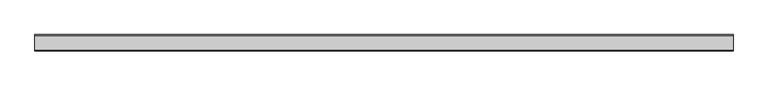
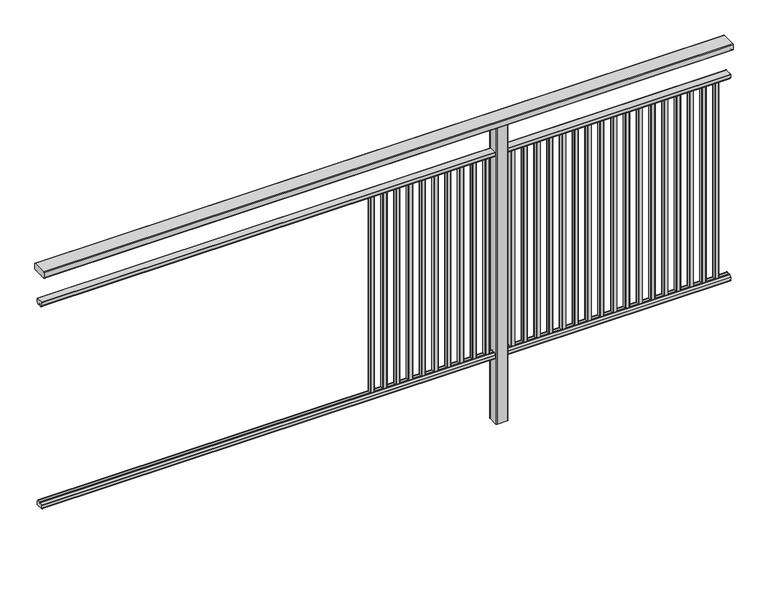
"""IFC4 building model written with IfcOpenShell, lengths in millimetres: railing geometry."""

from ifc_helpers import new_model, si_unit, point, frame, frame_2d, origin, place, context, project, spatial, polyline, circle_curve, trimmed, segment, composite_curve, outline, extrude, source, transform, mapped, element, save


def railing_8aff0f0a(model_context):
    return source(origin(), model_context, "Body", "SweptSolid", [
        extrude(outline(composite_curve([segment(trimmed(circle_curve(frame_2d((7852.8460333, 1197.0)), 3.0), [point((7852.8460333, 1200.0))], [point((7855.8460333, 1197.0))], False, "CARTESIAN"), True, "CONTINUOUS"), segment(polyline([(7855.8460333, 1197.0), (7855.8460333, 1174.8)]), True, "CONTINUOUS"), segment(trimmed(circle_curve(frame_2d((7852.8460333, 1174.8)), 3.0), [point((7855.8460333, 1174.8))], [point((7852.8460333, 1171.8))], False, "CARTESIAN"), True, "CONTINUOUS"), segment(polyline([(7852.8460333, 1171.8), (7847.9961193, 1171.8)]), True, "CONTINUOUS"), segment(trimmed(circle_curve(frame_2d((7847.9961193, 1172.7286632)), 0.9286632), [point((7847.9961193, 1171.8))], [point((7847.0960471, 1172.5000033))], False, "CARTESIAN"), True, "CONTINUOUS"), segment(trimmed(circle_curve(frame_2d((7846.5960471, 1172.5000003)), 0.5), [point((7847.0960471, 1172.5000033))], [point((7846.5960471, 1172.0000003))], False, "CARTESIAN"), True, "CONTINUOUS"), segment(polyline([(7846.5960471, 1172.0000003), (7829.5751393, 1172.0000003)]), True, "CONTINUOUS"), segment(trimmed(circle_curve(frame_2d((7820.8508208, 1188.8785723)), 18.999998), [point((7829.5751393, 1172.0000003))], [point((7812.1265024, 1172.0000003))], False, "CARTESIAN"), True, "CONTINUOUS"), segment(polyline([(7812.1265024, 1172.0000003), (7795.0960436, 1172.0000003)]), True, "CONTINUOUS"), segment(trimmed(circle_curve(frame_2d((7795.0960436, 1172.5000003)), 0.5), [point((7795.0960436, 1172.0000003))], [point((7794.5960436, 1172.5000033))], False, "CARTESIAN"), True, "CONTINUOUS"), segment(trimmed(circle_curve(frame_2d((7793.6961402, 1172.7284461)), 0.9284461), [point((7794.5960436, 1172.5000033))], [point((7793.6961402, 1171.8))], False, "CARTESIAN"), True, "CONTINUOUS"), segment(polyline([(7793.6961402, 1171.8), (7788.8460333, 1171.8)]), True, "CONTINUOUS"), segment(trimmed(circle_curve(frame_2d((7788.8460333, 1174.8)), 3.0), [point((7788.8460333, 1171.8))], [point((7785.8460333, 1174.8))], False, "CARTESIAN"), True, "CONTINUOUS"), segment(polyline([(7785.8460333, 1174.8), (7785.8460333, 1197.0)]), True, "CONTINUOUS"), segment(trimmed(circle_curve(frame_2d((7788.8460333, 1197.0)), 3.0), [point((7785.8460333, 1197.0))], [point((7788.8460333, 1200.0))], False, "CARTESIAN"), True, "CONTINUOUS"), segment(polyline([(7788.8460333, 1200.0), (7852.8460333, 1200.0)]), True, "CONTINUOUS")], self_intersect=False)), frame((3671.3946925, 0.0, 0.0), z_axis=(1.0, 0.0, 0.0), x_axis=(0.0, 1.0, 0.0)), (0.0, 0.0, 1.0), 3000.0),
        extrude(outline(composite_curve([segment(polyline([(7836.5508136, 100.0), (7805.1507946, 100.0)]), True, "CONTINUOUS"), segment(trimmed(circle_curve(frame_2d((7805.1507946, 101.8)), 1.8), [point((7805.1507946, 100.0))], [point((7803.3507946, 101.8))], False, "CARTESIAN"), True, "CONTINUOUS"), segment(polyline([(7803.3507946, 101.8), (7803.3507946, 115.5269955)]), True, "CONTINUOUS"), segment(trimmed(circle_curve(frame_2d((7805.1507946, 115.5269955)), 1.8), [point((7803.3507946, 115.5269955))], [point((7803.7923399, 116.7079277))], False, "CARTESIAN"), True, "CONTINUOUS"), segment(polyline([(7803.7923399, 116.7079277), (7810.4626384, 124.3809322)]), True, "CONTINUOUS"), segment(trimmed(circle_curve(frame_2d((7811.8210931, 123.2)), 1.8), [point((7810.4626384, 124.3809322))], [point((7811.8210931, 125.0))], False, "CARTESIAN"), True, "CONTINUOUS"), segment(polyline([(7811.8210931, 125.0), (7815.5111113, 125.0), (7816.809143, 113.0), (7824.8924411, 113.0), (7826.1904978, 125.0), (7829.88054, 125.0)]), True, "CONTINUOUS"), segment(trimmed(circle_curve(frame_2d((7829.88054, 123.2)), 1.8), [point((7829.88054, 125.0))], [point((7831.2389969, 124.3809297))], False, "CARTESIAN"), True, "CONTINUOUS"), segment(polyline([(7831.2389969, 124.3809297), (7837.9092704, 116.7079252)]), True, "CONTINUOUS"), segment(trimmed(circle_curve(frame_2d((7836.5508136, 115.5269955)), 1.8), [point((7837.9092704, 116.7079252))], [point((7838.3508136, 115.5269955))], False, "CARTESIAN"), True, "CONTINUOUS"), segment(polyline([(7838.3508136, 115.5269955), (7838.3508136, 101.8)]), True, "CONTINUOUS"), segment(trimmed(circle_curve(frame_2d((7836.5508136, 101.8)), 1.8), [point((7838.3508136, 101.8))], [point((7836.5508136, 100.0))], False, "CARTESIAN"), True, "CONTINUOUS")], self_intersect=False)), frame((3671.3946925, 0.0, 0.0), z_axis=(1.0, 0.0, 0.0), x_axis=(0.0, 1.0, 0.0)), (0.0, 0.0, 1.0), 3000.0),
        extrude(outline(composite_curve([segment(polyline([(7805.1507946, 1050.0), (7836.5508136, 1050.0)]), True, "CONTINUOUS"), segment(trimmed(circle_curve(frame_2d((7836.5508136, 1048.2)), 1.8), [point((7836.5508136, 1050.0))], [point((7838.3508136, 1048.2))], False, "CARTESIAN"), True, "CONTINUOUS"), segment(polyline([(7838.3508136, 1048.2), (7838.3508136, 1034.4730045)]), True, "CONTINUOUS"), segment(trimmed(circle_curve(frame_2d((7836.5508136, 1034.4730045)), 1.8), [point((7838.3508136, 1034.4730045))], [point((7837.9092704, 1033.2920748))], False, "CARTESIAN"), True, "CONTINUOUS"), segment(polyline([(7837.9092704, 1033.2920748), (7831.2389969, 1025.6190703)]), True, "CONTINUOUS"), segment(trimmed(circle_curve(frame_2d((7829.88054, 1026.8)), 1.8), [point((7831.2389969, 1025.6190703))], [point((7829.88054, 1025.0))], False, "CARTESIAN"), True, "CONTINUOUS"), segment(polyline([(7829.88054, 1025.0), (7826.1904978, 1025.0), (7824.8924411, 1037.0), (7816.809143, 1037.0), (7815.5111113, 1025.0), (7811.8210931, 1025.0)]), True, "CONTINUOUS"), segment(trimmed(circle_curve(frame_2d((7811.8210931, 1026.8)), 1.8), [point((7811.8210931, 1025.0))], [point((7810.4626384, 1025.6190678))], False, "CARTESIAN"), True, "CONTINUOUS"), segment(polyline([(7810.4626384, 1025.6190678), (7803.7923399, 1033.2920723)]), True, "CONTINUOUS"), segment(trimmed(circle_curve(frame_2d((7805.1507946, 1034.4730045)), 1.8), [point((7803.7923399, 1033.2920723))], [point((7803.3507946, 1034.4730045))], False, "CARTESIAN"), True, "CONTINUOUS"), segment(polyline([(7803.3507946, 1034.4730045), (7803.3507946, 1048.2)]), True, "CONTINUOUS"), segment(trimmed(circle_curve(frame_2d((7805.1507946, 1048.2)), 1.8), [point((7803.3507946, 1048.2))], [point((7805.1507946, 1050.0))], False, "CARTESIAN"), True, "CONTINUOUS")], self_intersect=False)), frame((3671.3946925, 0.0, 0.0), z_axis=(1.0, 0.0, 0.0), x_axis=(0.0, 1.0, 0.0)), (0.0, 0.0, 1.0), 3000.0),
        extrude(outline(composite_curve([segment(trimmed(circle_curve(frame_2d((6608.2391355, 7828.4508236)), 1.4), [point((6606.8391355, 7828.4508236))], [point((6608.2391355, 7829.8508236))], False, "CARTESIAN"), True, "CONTINUOUS"), segment(polyline([(6608.2391355, 7829.8508236), (6623.4391385, 7829.8508236)]), True, "CONTINUOUS"), segment(trimmed(circle_curve(frame_2d((6623.4391385, 7828.4508236)), 1.4), [point((6623.4391385, 7829.8508236))], [point((6624.8391385, 7828.4508236))], False, "CARTESIAN"), True, "CONTINUOUS"), segment(polyline([(6624.8391385, 7828.4508236), (6624.8391385, 7813.2507846)]), True, "CONTINUOUS"), segment(trimmed(circle_curve(frame_2d((6623.4391385, 7813.2507846)), 1.4), [point((6624.8391385, 7813.2507846))], [point((6623.4391385, 7811.8507846))], False, "CARTESIAN"), True, "CONTINUOUS"), segment(polyline([(6623.4391385, 7811.8507846), (6608.2391355, 7811.8507846)]), True, "CONTINUOUS"), segment(trimmed(circle_curve(frame_2d((6608.2391355, 7813.2507846)), 1.4), [point((6608.2391355, 7811.8507846))], [point((6606.8391355, 7813.2507846))], False, "CARTESIAN"), True, "CONTINUOUS"), segment(polyline([(6606.8391355, 7813.2507846), (6606.8391355, 7828.4508236)]), True, "CONTINUOUS")], self_intersect=False)), frame((0.0, 0.0, 125.0), z_axis=(0.0, 0.0, 1.0), x_axis=(1.0, 0.0, 0.0)), (0.0, 0.0, 1.0), 900.0),
        extrude(outline(composite_curve([segment(trimmed(circle_curve(frame_2d((6552.6835799, 7828.4508236)), 1.4), [point((6551.2835799, 7828.4508236))], [point((6552.6835799, 7829.8508236))], False, "CARTESIAN"), True, "CONTINUOUS"), segment(polyline([(6552.6835799, 7829.8508236), (6567.8835829, 7829.8508236)]), True, "CONTINUOUS"), segment(trimmed(circle_curve(frame_2d((6567.8835829, 7828.4508236)), 1.4), [point((6567.8835829, 7829.8508236))], [point((6569.2835829, 7828.4508236))], False, "CARTESIAN"), True, "CONTINUOUS"), segment(polyline([(6569.2835829, 7828.4508236), (6569.2835829, 7813.2507846)]), True, "CONTINUOUS"), segment(trimmed(circle_curve(frame_2d((6567.8835829, 7813.2507846)), 1.4), [point((6569.2835829, 7813.2507846))], [point((6567.8835829, 7811.8507846))], False, "CARTESIAN"), True, "CONTINUOUS"), segment(polyline([(6567.8835829, 7811.8507846), (6552.6835799, 7811.8507846)]), True, "CONTINUOUS"), segment(trimmed(circle_curve(frame_2d((6552.6835799, 7813.2507846)), 1.4), [point((6552.6835799, 7811.8507846))], [point((6551.2835799, 7813.2507846))], False, "CARTESIAN"), True, "CONTINUOUS"), segment(polyline([(6551.2835799, 7813.2507846), (6551.2835799, 7828.4508236)]), True, "CONTINUOUS")], self_intersect=False)), frame((0.0, 0.0, 125.0), z_axis=(0.0, 0.0, 1.0), x_axis=(1.0, 0.0, 0.0)), (0.0, 0.0, 1.0), 900.0),
        extrude(outline(composite_curve([segment(trimmed(circle_curve(frame_2d((6497.1280244, 7828.4508236)), 1.4), [point((6495.7280244, 7828.4508236))], [point((6497.1280244, 7829.8508236))], False, "CARTESIAN"), True, "CONTINUOUS"), segment(polyline([(6497.1280244, 7829.8508236), (6512.3280274, 7829.8508236)]), True, "CONTINUOUS"), segment(trimmed(circle_curve(frame_2d((6512.3280274, 7828.4508236)), 1.4), [point((6512.3280274, 7829.8508236))], [point((6513.7280274, 7828.4508236))], False, "CARTESIAN"), True, "CONTINUOUS"), segment(polyline([(6513.7280274, 7828.4508236), (6513.7280274, 7813.2507846)]), True, "CONTINUOUS"), segment(trimmed(circle_curve(frame_2d((6512.3280274, 7813.2507846)), 1.4), [point((6513.7280274, 7813.2507846))], [point((6512.3280274, 7811.8507846))], False, "CARTESIAN"), True, "CONTINUOUS"), segment(polyline([(6512.3280274, 7811.8507846), (6497.1280244, 7811.8507846)]), True, "CONTINUOUS"), segment(trimmed(circle_curve(frame_2d((6497.1280244, 7813.2507846)), 1.4), [point((6497.1280244, 7811.8507846))], [point((6495.7280244, 7813.2507846))], False, "CARTESIAN"), True, "CONTINUOUS"), segment(polyline([(6495.7280244, 7813.2507846), (6495.7280244, 7828.4508236)]), True, "CONTINUOUS")], self_intersect=False)), frame((0.0, 0.0, 125.0), z_axis=(0.0, 0.0, 1.0), x_axis=(1.0, 0.0, 0.0)), (0.0, 0.0, 1.0), 900.0),
        extrude(outline(composite_curve([segment(trimmed(circle_curve(frame_2d((6441.5724688, 7828.4508236)), 1.4), [point((6440.1724688, 7828.4508236))], [point((6441.5724688, 7829.8508236))], False, "CARTESIAN"), True, "CONTINUOUS"), segment(polyline([(6441.5724688, 7829.8508236), (6456.7724718, 7829.8508236)]), True, "CONTINUOUS"), segment(trimmed(circle_curve(frame_2d((6456.7724718, 7828.4508236)), 1.4), [point((6456.7724718, 7829.8508236))], [point((6458.1724718, 7828.4508236))], False, "CARTESIAN"), True, "CONTINUOUS"), segment(polyline([(6458.1724718, 7828.4508236), (6458.1724718, 7813.2507846)]), True, "CONTINUOUS"), segment(trimmed(circle_curve(frame_2d((6456.7724718, 7813.2507846)), 1.4), [point((6458.1724718, 7813.2507846))], [point((6456.7724718, 7811.8507846))], False, "CARTESIAN"), True, "CONTINUOUS"), segment(polyline([(6456.7724718, 7811.8507846), (6441.5724688, 7811.8507846)]), True, "CONTINUOUS"), segment(trimmed(circle_curve(frame_2d((6441.5724688, 7813.2507846)), 1.4), [point((6441.5724688, 7811.8507846))], [point((6440.1724688, 7813.2507846))], False, "CARTESIAN"), True, "CONTINUOUS"), segment(polyline([(6440.1724688, 7813.2507846), (6440.1724688, 7828.4508236)]), True, "CONTINUOUS")], self_intersect=False)), frame((0.0, 0.0, 125.0), z_axis=(0.0, 0.0, 1.0), x_axis=(1.0, 0.0, 0.0)), (0.0, 0.0, 1.0), 900.0),
        extrude(outline(composite_curve([segment(trimmed(circle_curve(frame_2d((6386.0169133, 7828.4508236)), 1.4), [point((6384.6169133, 7828.4508236))], [point((6386.0169133, 7829.8508236))], False, "CARTESIAN"), True, "CONTINUOUS"), segment(polyline([(6386.0169133, 7829.8508236), (6401.2169163, 7829.8508236)]), True, "CONTINUOUS"), segment(trimmed(circle_curve(frame_2d((6401.2169163, 7828.4508236)), 1.4), [point((6401.2169163, 7829.8508236))], [point((6402.6169163, 7828.4508236))], False, "CARTESIAN"), True, "CONTINUOUS"), segment(polyline([(6402.6169163, 7828.4508236), (6402.6169163, 7813.2507846)]), True, "CONTINUOUS"), segment(trimmed(circle_curve(frame_2d((6401.2169163, 7813.2507846)), 1.4), [point((6402.6169163, 7813.2507846))], [point((6401.2169163, 7811.8507846))], False, "CARTESIAN"), True, "CONTINUOUS"), segment(polyline([(6401.2169163, 7811.8507846), (6386.0169133, 7811.8507846)]), True, "CONTINUOUS"), segment(trimmed(circle_curve(frame_2d((6386.0169133, 7813.2507846)), 1.4), [point((6386.0169133, 7811.8507846))], [point((6384.6169133, 7813.2507846))], False, "CARTESIAN"), True, "CONTINUOUS"), segment(polyline([(6384.6169133, 7813.2507846), (6384.6169133, 7828.4508236)]), True, "CONTINUOUS")], self_intersect=False)), frame((0.0, 0.0, 125.0), z_axis=(0.0, 0.0, 1.0), x_axis=(1.0, 0.0, 0.0)), (0.0, 0.0, 1.0), 900.0),
        extrude(outline(composite_curve([segment(trimmed(circle_curve(frame_2d((6330.4613577, 7828.4508236)), 1.4), [point((6329.0613577, 7828.4508236))], [point((6330.4613577, 7829.8508236))], False, "CARTESIAN"), True, "CONTINUOUS"), segment(polyline([(6330.4613577, 7829.8508236), (6345.6613607, 7829.8508236)]), True, "CONTINUOUS"), segment(trimmed(circle_curve(frame_2d((6345.6613607, 7828.4508236)), 1.4), [point((6345.6613607, 7829.8508236))], [point((6347.0613607, 7828.4508236))], False, "CARTESIAN"), True, "CONTINUOUS"), segment(polyline([(6347.0613607, 7828.4508236), (6347.0613607, 7813.2507846)]), True, "CONTINUOUS"), segment(trimmed(circle_curve(frame_2d((6345.6613607, 7813.2507846)), 1.4), [point((6347.0613607, 7813.2507846))], [point((6345.6613607, 7811.8507846))], False, "CARTESIAN"), True, "CONTINUOUS"), segment(polyline([(6345.6613607, 7811.8507846), (6330.4613577, 7811.8507846)]), True, "CONTINUOUS"), segment(trimmed(circle_curve(frame_2d((6330.4613577, 7813.2507846)), 1.4), [point((6330.4613577, 7811.8507846))], [point((6329.0613577, 7813.2507846))], False, "CARTESIAN"), True, "CONTINUOUS"), segment(polyline([(6329.0613577, 7813.2507846), (6329.0613577, 7828.4508236)]), True, "CONTINUOUS")], self_intersect=False)), frame((0.0, 0.0, 125.0), z_axis=(0.0, 0.0, 1.0), x_axis=(1.0, 0.0, 0.0)), (0.0, 0.0, 1.0), 900.0),
        extrude(outline(composite_curve([segment(trimmed(circle_curve(frame_2d((6274.9058021, 7828.4508236)), 1.4), [point((6273.5058021, 7828.4508236))], [point((6274.9058021, 7829.8508236))], False, "CARTESIAN"), True, "CONTINUOUS"), segment(polyline([(6274.9058021, 7829.8508236), (6290.1058051, 7829.8508236)]), True, "CONTINUOUS"), segment(trimmed(circle_curve(frame_2d((6290.1058051, 7828.4508236)), 1.4), [point((6290.1058051, 7829.8508236))], [point((6291.5058051, 7828.4508236))], False, "CARTESIAN"), True, "CONTINUOUS"), segment(polyline([(6291.5058051, 7828.4508236), (6291.5058051, 7813.2507846)]), True, "CONTINUOUS"), segment(trimmed(circle_curve(frame_2d((6290.1058051, 7813.2507846)), 1.4), [point((6291.5058051, 7813.2507846))], [point((6290.1058051, 7811.8507846))], False, "CARTESIAN"), True, "CONTINUOUS"), segment(polyline([(6290.1058051, 7811.8507846), (6274.9058021, 7811.8507846)]), True, "CONTINUOUS"), segment(trimmed(circle_curve(frame_2d((6274.9058021, 7813.2507846)), 1.4), [point((6274.9058021, 7811.8507846))], [point((6273.5058021, 7813.2507846))], False, "CARTESIAN"), True, "CONTINUOUS"), segment(polyline([(6273.5058021, 7813.2507846), (6273.5058021, 7828.4508236)]), True, "CONTINUOUS")], self_intersect=False)), frame((0.0, 0.0, 125.0), z_axis=(0.0, 0.0, 1.0), x_axis=(1.0, 0.0, 0.0)), (0.0, 0.0, 1.0), 900.0),
        extrude(outline(composite_curve([segment(trimmed(circle_curve(frame_2d((6219.3502466, 7828.4508236)), 1.4), [point((6217.9502466, 7828.4508236))], [point((6219.3502466, 7829.8508236))], False, "CARTESIAN"), True, "CONTINUOUS"), segment(polyline([(6219.3502466, 7829.8508236), (6234.5502496, 7829.8508236)]), True, "CONTINUOUS"), segment(trimmed(circle_curve(frame_2d((6234.5502496, 7828.4508236)), 1.4), [point((6234.5502496, 7829.8508236))], [point((6235.9502496, 7828.4508236))], False, "CARTESIAN"), True, "CONTINUOUS"), segment(polyline([(6235.9502496, 7828.4508236), (6235.9502496, 7813.2507846)]), True, "CONTINUOUS"), segment(trimmed(circle_curve(frame_2d((6234.5502496, 7813.2507846)), 1.4), [point((6235.9502496, 7813.2507846))], [point((6234.5502496, 7811.8507846))], False, "CARTESIAN"), True, "CONTINUOUS"), segment(polyline([(6234.5502496, 7811.8507846), (6219.3502466, 7811.8507846)]), True, "CONTINUOUS"), segment(trimmed(circle_curve(frame_2d((6219.3502466, 7813.2507846)), 1.4), [point((6219.3502466, 7811.8507846))], [point((6217.9502466, 7813.2507846))], False, "CARTESIAN"), True, "CONTINUOUS"), segment(polyline([(6217.9502466, 7813.2507846), (6217.9502466, 7828.4508236)]), True, "CONTINUOUS")], self_intersect=False)), frame((0.0, 0.0, 125.0), z_axis=(0.0, 0.0, 1.0), x_axis=(1.0, 0.0, 0.0)), (0.0, 0.0, 1.0), 900.0),
        extrude(outline(composite_curve([segment(trimmed(circle_curve(frame_2d((6163.794691, 7828.4508236)), 1.4), [point((6162.394691, 7828.4508236))], [point((6163.794691, 7829.8508236))], False, "CARTESIAN"), True, "CONTINUOUS"), segment(polyline([(6163.794691, 7829.8508236), (6178.994694, 7829.8508236)]), True, "CONTINUOUS"), segment(trimmed(circle_curve(frame_2d((6178.994694, 7828.4508236)), 1.4), [point((6178.994694, 7829.8508236))], [point((6180.394694, 7828.4508236))], False, "CARTESIAN"), True, "CONTINUOUS"), segment(polyline([(6180.394694, 7828.4508236), (6180.394694, 7813.2507846)]), True, "CONTINUOUS"), segment(trimmed(circle_curve(frame_2d((6178.994694, 7813.2507846)), 1.4), [point((6180.394694, 7813.2507846))], [point((6178.994694, 7811.8507846))], False, "CARTESIAN"), True, "CONTINUOUS"), segment(polyline([(6178.994694, 7811.8507846), (6163.794691, 7811.8507846)]), True, "CONTINUOUS"), segment(trimmed(circle_curve(frame_2d((6163.794691, 7813.2507846)), 1.4), [point((6163.794691, 7811.8507846))], [point((6162.394691, 7813.2507846))], False, "CARTESIAN"), True, "CONTINUOUS"), segment(polyline([(6162.394691, 7813.2507846), (6162.394691, 7828.4508236)]), True, "CONTINUOUS")], self_intersect=False)), frame((0.0, 0.0, 125.0), z_axis=(0.0, 0.0, 1.0), x_axis=(1.0, 0.0, 0.0)), (0.0, 0.0, 1.0), 900.0),
        extrude(outline(composite_curve([segment(trimmed(circle_curve(frame_2d((6108.2391355, 7828.4508236)), 1.4), [point((6106.8391355, 7828.4508236))], [point((6108.2391355, 7829.8508236))], False, "CARTESIAN"), True, "CONTINUOUS"), segment(polyline([(6108.2391355, 7829.8508236), (6123.4391385, 7829.8508236)]), True, "CONTINUOUS"), segment(trimmed(circle_curve(frame_2d((6123.4391385, 7828.4508236)), 1.4), [point((6123.4391385, 7829.8508236))], [point((6124.8391385, 7828.4508236))], False, "CARTESIAN"), True, "CONTINUOUS"), segment(polyline([(6124.8391385, 7828.4508236), (6124.8391385, 7813.2507846)]), True, "CONTINUOUS"), segment(trimmed(circle_curve(frame_2d((6123.4391385, 7813.2507846)), 1.4), [point((6124.8391385, 7813.2507846))], [point((6123.4391385, 7811.8507846))], False, "CARTESIAN"), True, "CONTINUOUS"), segment(polyline([(6123.4391385, 7811.8507846), (6108.2391355, 7811.8507846)]), True, "CONTINUOUS"), segment(trimmed(circle_curve(frame_2d((6108.2391355, 7813.2507846)), 1.4), [point((6108.2391355, 7811.8507846))], [point((6106.8391355, 7813.2507846))], False, "CARTESIAN"), True, "CONTINUOUS"), segment(polyline([(6106.8391355, 7813.2507846), (6106.8391355, 7828.4508236)]), True, "CONTINUOUS")], self_intersect=False)), frame((0.0, 0.0, 125.0), z_axis=(0.0, 0.0, 1.0), x_axis=(1.0, 0.0, 0.0)), (0.0, 0.0, 1.0), 900.0),
        extrude(outline(composite_curve([segment(trimmed(circle_curve(frame_2d((6052.6835799, 7828.4508236)), 1.4), [point((6051.2835799, 7828.4508236))], [point((6052.6835799, 7829.8508236))], False, "CARTESIAN"), True, "CONTINUOUS"), segment(polyline([(6052.6835799, 7829.8508236), (6067.8835829, 7829.8508236)]), True, "CONTINUOUS"), segment(trimmed(circle_curve(frame_2d((6067.8835829, 7828.4508236)), 1.4), [point((6067.8835829, 7829.8508236))], [point((6069.2835829, 7828.4508236))], False, "CARTESIAN"), True, "CONTINUOUS"), segment(polyline([(6069.2835829, 7828.4508236), (6069.2835829, 7813.2507846)]), True, "CONTINUOUS"), segment(trimmed(circle_curve(frame_2d((6067.8835829, 7813.2507846)), 1.4), [point((6069.2835829, 7813.2507846))], [point((6067.8835829, 7811.8507846))], False, "CARTESIAN"), True, "CONTINUOUS"), segment(polyline([(6067.8835829, 7811.8507846), (6052.6835799, 7811.8507846)]), True, "CONTINUOUS"), segment(trimmed(circle_curve(frame_2d((6052.6835799, 7813.2507846)), 1.4), [point((6052.6835799, 7811.8507846))], [point((6051.2835799, 7813.2507846))], False, "CARTESIAN"), True, "CONTINUOUS"), segment(polyline([(6051.2835799, 7813.2507846), (6051.2835799, 7828.4508236)]), True, "CONTINUOUS")], self_intersect=False)), frame((0.0, 0.0, 125.0), z_axis=(0.0, 0.0, 1.0), x_axis=(1.0, 0.0, 0.0)), (0.0, 0.0, 1.0), 900.0),
        extrude(outline(composite_curve([segment(trimmed(circle_curve(frame_2d((5997.1280244, 7828.4508236)), 1.4), [point((5995.7280244, 7828.4508236))], [point((5997.1280244, 7829.8508236))], False, "CARTESIAN"), True, "CONTINUOUS"), segment(polyline([(5997.1280244, 7829.8508236), (6012.3280274, 7829.8508236)]), True, "CONTINUOUS"), segment(trimmed(circle_curve(frame_2d((6012.3280274, 7828.4508236)), 1.4), [point((6012.3280274, 7829.8508236))], [point((6013.7280274, 7828.4508236))], False, "CARTESIAN"), True, "CONTINUOUS"), segment(polyline([(6013.7280274, 7828.4508236), (6013.7280274, 7813.2507846)]), True, "CONTINUOUS"), segment(trimmed(circle_curve(frame_2d((6012.3280274, 7813.2507846)), 1.4), [point((6013.7280274, 7813.2507846))], [point((6012.3280274, 7811.8507846))], False, "CARTESIAN"), True, "CONTINUOUS"), segment(polyline([(6012.3280274, 7811.8507846), (5997.1280244, 7811.8507846)]), True, "CONTINUOUS"), segment(trimmed(circle_curve(frame_2d((5997.1280244, 7813.2507846)), 1.4), [point((5997.1280244, 7811.8507846))], [point((5995.7280244, 7813.2507846))], False, "CARTESIAN"), True, "CONTINUOUS"), segment(polyline([(5995.7280244, 7813.2507846), (5995.7280244, 7828.4508236)]), True, "CONTINUOUS")], self_intersect=False)), frame((0.0, 0.0, 125.0), z_axis=(0.0, 0.0, 1.0), x_axis=(1.0, 0.0, 0.0)), (0.0, 0.0, 1.0), 900.0),
        extrude(outline(composite_curve([segment(trimmed(circle_curve(frame_2d((5941.5724688, 7828.4508236)), 1.4), [point((5940.1724688, 7828.4508236))], [point((5941.5724688, 7829.8508236))], False, "CARTESIAN"), True, "CONTINUOUS"), segment(polyline([(5941.5724688, 7829.8508236), (5956.7724718, 7829.8508236)]), True, "CONTINUOUS"), segment(trimmed(circle_curve(frame_2d((5956.7724718, 7828.4508236)), 1.4), [point((5956.7724718, 7829.8508236))], [point((5958.1724718, 7828.4508236))], False, "CARTESIAN"), True, "CONTINUOUS"), segment(polyline([(5958.1724718, 7828.4508236), (5958.1724718, 7813.2507846)]), True, "CONTINUOUS"), segment(trimmed(circle_curve(frame_2d((5956.7724718, 7813.2507846)), 1.4), [point((5958.1724718, 7813.2507846))], [point((5956.7724718, 7811.8507846))], False, "CARTESIAN"), True, "CONTINUOUS"), segment(polyline([(5956.7724718, 7811.8507846), (5941.5724688, 7811.8507846)]), True, "CONTINUOUS"), segment(trimmed(circle_curve(frame_2d((5941.5724688, 7813.2507846)), 1.4), [point((5941.5724688, 7811.8507846))], [point((5940.1724688, 7813.2507846))], False, "CARTESIAN"), True, "CONTINUOUS"), segment(polyline([(5940.1724688, 7813.2507846), (5940.1724688, 7828.4508236)]), True, "CONTINUOUS")], self_intersect=False)), frame((0.0, 0.0, 125.0), z_axis=(0.0, 0.0, 1.0), x_axis=(1.0, 0.0, 0.0)), (0.0, 0.0, 1.0), 900.0),
        extrude(outline(composite_curve([segment(trimmed(circle_curve(frame_2d((5886.0169133, 7828.4508236)), 1.4), [point((5884.6169133, 7828.4508236))], [point((5886.0169133, 7829.8508236))], False, "CARTESIAN"), True, "CONTINUOUS"), segment(polyline([(5886.0169133, 7829.8508236), (5901.2169163, 7829.8508236)]), True, "CONTINUOUS"), segment(trimmed(circle_curve(frame_2d((5901.2169163, 7828.4508236)), 1.4), [point((5901.2169163, 7829.8508236))], [point((5902.6169163, 7828.4508236))], False, "CARTESIAN"), True, "CONTINUOUS"), segment(polyline([(5902.6169163, 7828.4508236), (5902.6169163, 7813.2507846)]), True, "CONTINUOUS"), segment(trimmed(circle_curve(frame_2d((5901.2169163, 7813.2507846)), 1.4), [point((5902.6169163, 7813.2507846))], [point((5901.2169163, 7811.8507846))], False, "CARTESIAN"), True, "CONTINUOUS"), segment(polyline([(5901.2169163, 7811.8507846), (5886.0169133, 7811.8507846)]), True, "CONTINUOUS"), segment(trimmed(circle_curve(frame_2d((5886.0169133, 7813.2507846)), 1.4), [point((5886.0169133, 7811.8507846))], [point((5884.6169133, 7813.2507846))], False, "CARTESIAN"), True, "CONTINUOUS"), segment(polyline([(5884.6169133, 7813.2507846), (5884.6169133, 7828.4508236)]), True, "CONTINUOUS")], self_intersect=False)), frame((0.0, 0.0, 125.0), z_axis=(0.0, 0.0, 1.0), x_axis=(1.0, 0.0, 0.0)), (0.0, 0.0, 1.0), 900.0),
        extrude(outline(composite_curve([segment(trimmed(circle_curve(frame_2d((5830.4613577, 7828.4508236)), 1.4), [point((5829.0613577, 7828.4508236))], [point((5830.4613577, 7829.8508236))], False, "CARTESIAN"), True, "CONTINUOUS"), segment(polyline([(5830.4613577, 7829.8508236), (5845.6613607, 7829.8508236)]), True, "CONTINUOUS"), segment(trimmed(circle_curve(frame_2d((5845.6613607, 7828.4508236)), 1.4), [point((5845.6613607, 7829.8508236))], [point((5847.0613607, 7828.4508236))], False, "CARTESIAN"), True, "CONTINUOUS"), segment(polyline([(5847.0613607, 7828.4508236), (5847.0613607, 7813.2507846)]), True, "CONTINUOUS"), segment(trimmed(circle_curve(frame_2d((5845.6613607, 7813.2507846)), 1.4), [point((5847.0613607, 7813.2507846))], [point((5845.6613607, 7811.8507846))], False, "CARTESIAN"), True, "CONTINUOUS"), segment(polyline([(5845.6613607, 7811.8507846), (5830.4613577, 7811.8507846)]), True, "CONTINUOUS"), segment(trimmed(circle_curve(frame_2d((5830.4613577, 7813.2507846)), 1.4), [point((5830.4613577, 7811.8507846))], [point((5829.0613577, 7813.2507846))], False, "CARTESIAN"), True, "CONTINUOUS"), segment(polyline([(5829.0613577, 7813.2507846), (5829.0613577, 7828.4508236)]), True, "CONTINUOUS")], self_intersect=False)), frame((0.0, 0.0, 125.0), z_axis=(0.0, 0.0, 1.0), x_axis=(1.0, 0.0, 0.0)), (0.0, 0.0, 1.0), 900.0),
        extrude(outline(composite_curve([segment(trimmed(circle_curve(frame_2d((5774.9058021, 7828.4508236)), 1.4), [point((5773.5058021, 7828.4508236))], [point((5774.9058021, 7829.8508236))], False, "CARTESIAN"), True, "CONTINUOUS"), segment(polyline([(5774.9058021, 7829.8508236), (5790.1058051, 7829.8508236)]), True, "CONTINUOUS"), segment(trimmed(circle_curve(frame_2d((5790.1058051, 7828.4508236)), 1.4), [point((5790.1058051, 7829.8508236))], [point((5791.5058051, 7828.4508236))], False, "CARTESIAN"), True, "CONTINUOUS"), segment(polyline([(5791.5058051, 7828.4508236), (5791.5058051, 7813.2507846)]), True, "CONTINUOUS"), segment(trimmed(circle_curve(frame_2d((5790.1058051, 7813.2507846)), 1.4), [point((5791.5058051, 7813.2507846))], [point((5790.1058051, 7811.8507846))], False, "CARTESIAN"), True, "CONTINUOUS"), segment(polyline([(5790.1058051, 7811.8507846), (5774.9058021, 7811.8507846)]), True, "CONTINUOUS"), segment(trimmed(circle_curve(frame_2d((5774.9058021, 7813.2507846)), 1.4), [point((5774.9058021, 7811.8507846))], [point((5773.5058021, 7813.2507846))], False, "CARTESIAN"), True, "CONTINUOUS"), segment(polyline([(5773.5058021, 7813.2507846), (5773.5058021, 7828.4508236)]), True, "CONTINUOUS")], self_intersect=False)), frame((0.0, 0.0, 125.0), z_axis=(0.0, 0.0, 1.0), x_axis=(1.0, 0.0, 0.0)), (0.0, 0.0, 1.0), 900.0),
        extrude(outline(composite_curve([segment(trimmed(circle_curve(frame_2d((5719.3502466, 7828.4508236)), 1.4), [point((5717.9502466, 7828.4508236))], [point((5719.3502466, 7829.8508236))], False, "CARTESIAN"), True, "CONTINUOUS"), segment(polyline([(5719.3502466, 7829.8508236), (5734.5502496, 7829.8508236)]), True, "CONTINUOUS"), segment(trimmed(circle_curve(frame_2d((5734.5502496, 7828.4508236)), 1.4), [point((5734.5502496, 7829.8508236))], [point((5735.9502496, 7828.4508236))], False, "CARTESIAN"), True, "CONTINUOUS"), segment(polyline([(5735.9502496, 7828.4508236), (5735.9502496, 7813.2507846)]), True, "CONTINUOUS"), segment(trimmed(circle_curve(frame_2d((5734.5502496, 7813.2507846)), 1.4), [point((5735.9502496, 7813.2507846))], [point((5734.5502496, 7811.8507846))], False, "CARTESIAN"), True, "CONTINUOUS"), segment(polyline([(5734.5502496, 7811.8507846), (5719.3502466, 7811.8507846)]), True, "CONTINUOUS"), segment(trimmed(circle_curve(frame_2d((5719.3502466, 7813.2507846)), 1.4), [point((5719.3502466, 7811.8507846))], [point((5717.9502466, 7813.2507846))], False, "CARTESIAN"), True, "CONTINUOUS"), segment(polyline([(5717.9502466, 7813.2507846), (5717.9502466, 7828.4508236)]), True, "CONTINUOUS")], self_intersect=False)), frame((0.0, 0.0, 125.0), z_axis=(0.0, 0.0, 1.0), x_axis=(1.0, 0.0, 0.0)), (0.0, 0.0, 1.0), 900.0),
        extrude(outline(composite_curve([segment(trimmed(circle_curve(frame_2d((5693.7947043, 7843.2508153)), 3.0), [point((5693.794704, 7846.2508153))], [point((5696.7947043, 7843.2508156))], False, "CARTESIAN"), True, "CONTINUOUS"), segment(polyline([(5696.7947043, 7843.2508156), (5696.7947083, 7798.4507926)]), True, "CONTINUOUS"), segment(trimmed(circle_curve(frame_2d((5693.7947083, 7798.4507923)), 3.0), [point((5696.7947083, 7798.4507926))], [point((5693.7947086, 7795.4507923))], False, "CARTESIAN"), True, "CONTINUOUS"), segment(polyline([(5693.7947086, 7795.4507923), (5648.9946856, 7795.4507883)]), True, "CONTINUOUS"), segment(trimmed(circle_curve(frame_2d((5648.9946853, 7798.4507883)), 3.0), [point((5648.9946856, 7795.4507883))], [point((5645.9946853, 7798.450788))], False, "CARTESIAN"), True, "CONTINUOUS"), segment(polyline([(5645.9946853, 7798.450788), (5645.9946813, 7843.250811)]), True, "CONTINUOUS"), segment(trimmed(circle_curve(frame_2d((5648.9946813, 7843.2508113)), 3.0), [point((5645.9946813, 7843.250811))], [point((5648.994681, 7846.2508113))], False, "CARTESIAN"), True, "CONTINUOUS"), segment(polyline([(5648.994681, 7846.2508113), (5693.794704, 7846.2508153)]), True, "CONTINUOUS")], self_intersect=False)), frame((0.0, 0.0, -198.0), z_axis=(0.0, 0.0, 1.0), x_axis=(1.0, 0.0, 0.0)), (0.0, 0.0, 1.0), 1367.8785743),
        extrude(outline(composite_curve([segment(trimmed(circle_curve(frame_2d((5608.2391355, 7828.4508236)), 1.4), [point((5606.8391355, 7828.4508236))], [point((5608.2391355, 7829.8508236))], False, "CARTESIAN"), True, "CONTINUOUS"), segment(polyline([(5608.2391355, 7829.8508236), (5623.4391385, 7829.8508236)]), True, "CONTINUOUS"), segment(trimmed(circle_curve(frame_2d((5623.4391385, 7828.4508236)), 1.4), [point((5623.4391385, 7829.8508236))], [point((5624.8391385, 7828.4508236))], False, "CARTESIAN"), True, "CONTINUOUS"), segment(polyline([(5624.8391385, 7828.4508236), (5624.8391385, 7813.2507846)]), True, "CONTINUOUS"), segment(trimmed(circle_curve(frame_2d((5623.4391385, 7813.2507846)), 1.4), [point((5624.8391385, 7813.2507846))], [point((5623.4391385, 7811.8507846))], False, "CARTESIAN"), True, "CONTINUOUS"), segment(polyline([(5623.4391385, 7811.8507846), (5608.2391355, 7811.8507846)]), True, "CONTINUOUS"), segment(trimmed(circle_curve(frame_2d((5608.2391355, 7813.2507846)), 1.4), [point((5608.2391355, 7811.8507846))], [point((5606.8391355, 7813.2507846))], False, "CARTESIAN"), True, "CONTINUOUS"), segment(polyline([(5606.8391355, 7813.2507846), (5606.8391355, 7828.4508236)]), True, "CONTINUOUS")], self_intersect=False)), frame((0.0, 0.0, 125.0), z_axis=(0.0, 0.0, 1.0), x_axis=(1.0, 0.0, 0.0)), (0.0, 0.0, 1.0), 900.0),
        extrude(outline(composite_curve([segment(trimmed(circle_curve(frame_2d((5552.6835799, 7828.4508236)), 1.4), [point((5551.2835799, 7828.4508236))], [point((5552.6835799, 7829.8508236))], False, "CARTESIAN"), True, "CONTINUOUS"), segment(polyline([(5552.6835799, 7829.8508236), (5567.8835829, 7829.8508236)]), True, "CONTINUOUS"), segment(trimmed(circle_curve(frame_2d((5567.8835829, 7828.4508236)), 1.4), [point((5567.8835829, 7829.8508236))], [point((5569.2835829, 7828.4508236))], False, "CARTESIAN"), True, "CONTINUOUS"), segment(polyline([(5569.2835829, 7828.4508236), (5569.2835829, 7813.2507846)]), True, "CONTINUOUS"), segment(trimmed(circle_curve(frame_2d((5567.8835829, 7813.2507846)), 1.4), [point((5569.2835829, 7813.2507846))], [point((5567.8835829, 7811.8507846))], False, "CARTESIAN"), True, "CONTINUOUS"), segment(polyline([(5567.8835829, 7811.8507846), (5552.6835799, 7811.8507846)]), True, "CONTINUOUS"), segment(trimmed(circle_curve(frame_2d((5552.6835799, 7813.2507846)), 1.4), [point((5552.6835799, 7811.8507846))], [point((5551.2835799, 7813.2507846))], False, "CARTESIAN"), True, "CONTINUOUS"), segment(polyline([(5551.2835799, 7813.2507846), (5551.2835799, 7828.4508236)]), True, "CONTINUOUS")], self_intersect=False)), frame((0.0, 0.0, 125.0), z_axis=(0.0, 0.0, 1.0), x_axis=(1.0, 0.0, 0.0)), (0.0, 0.0, 1.0), 900.0),
        extrude(outline(composite_curve([segment(trimmed(circle_curve(frame_2d((5497.1280244, 7828.4508236)), 1.4), [point((5495.7280244, 7828.4508236))], [point((5497.1280244, 7829.8508236))], False, "CARTESIAN"), True, "CONTINUOUS"), segment(polyline([(5497.1280244, 7829.8508236), (5512.3280274, 7829.8508236)]), True, "CONTINUOUS"), segment(trimmed(circle_curve(frame_2d((5512.3280274, 7828.4508236)), 1.4), [point((5512.3280274, 7829.8508236))], [point((5513.7280274, 7828.4508236))], False, "CARTESIAN"), True, "CONTINUOUS"), segment(polyline([(5513.7280274, 7828.4508236), (5513.7280274, 7813.2507846)]), True, "CONTINUOUS"), segment(trimmed(circle_curve(frame_2d((5512.3280274, 7813.2507846)), 1.4), [point((5513.7280274, 7813.2507846))], [point((5512.3280274, 7811.8507846))], False, "CARTESIAN"), True, "CONTINUOUS"), segment(polyline([(5512.3280274, 7811.8507846), (5497.1280244, 7811.8507846)]), True, "CONTINUOUS"), segment(trimmed(circle_curve(frame_2d((5497.1280244, 7813.2507846)), 1.4), [point((5497.1280244, 7811.8507846))], [point((5495.7280244, 7813.2507846))], False, "CARTESIAN"), True, "CONTINUOUS"), segment(polyline([(5495.7280244, 7813.2507846), (5495.7280244, 7828.4508236)]), True, "CONTINUOUS")], self_intersect=False)), frame((0.0, 0.0, 125.0), z_axis=(0.0, 0.0, 1.0), x_axis=(1.0, 0.0, 0.0)), (0.0, 0.0, 1.0), 900.0),
        extrude(outline(composite_curve([segment(trimmed(circle_curve(frame_2d((5441.5724688, 7828.4508236)), 1.4), [point((5440.1724688, 7828.4508236))], [point((5441.5724688, 7829.8508236))], False, "CARTESIAN"), True, "CONTINUOUS"), segment(polyline([(5441.5724688, 7829.8508236), (5456.7724718, 7829.8508236)]), True, "CONTINUOUS"), segment(trimmed(circle_curve(frame_2d((5456.7724718, 7828.4508236)), 1.4), [point((5456.7724718, 7829.8508236))], [point((5458.1724718, 7828.4508236))], False, "CARTESIAN"), True, "CONTINUOUS"), segment(polyline([(5458.1724718, 7828.4508236), (5458.1724718, 7813.2507846)]), True, "CONTINUOUS"), segment(trimmed(circle_curve(frame_2d((5456.7724718, 7813.2507846)), 1.4), [point((5458.1724718, 7813.2507846))], [point((5456.7724718, 7811.8507846))], False, "CARTESIAN"), True, "CONTINUOUS"), segment(polyline([(5456.7724718, 7811.8507846), (5441.5724688, 7811.8507846)]), True, "CONTINUOUS"), segment(trimmed(circle_curve(frame_2d((5441.5724688, 7813.2507846)), 1.4), [point((5441.5724688, 7811.8507846))], [point((5440.1724688, 7813.2507846))], False, "CARTESIAN"), True, "CONTINUOUS"), segment(polyline([(5440.1724688, 7813.2507846), (5440.1724688, 7828.4508236)]), True, "CONTINUOUS")], self_intersect=False)), frame((0.0, 0.0, 125.0), z_axis=(0.0, 0.0, 1.0), x_axis=(1.0, 0.0, 0.0)), (0.0, 0.0, 1.0), 900.0),
        extrude(outline(composite_curve([segment(trimmed(circle_curve(frame_2d((5386.0169133, 7828.4508236)), 1.4), [point((5384.6169133, 7828.4508236))], [point((5386.0169133, 7829.8508236))], False, "CARTESIAN"), True, "CONTINUOUS"), segment(polyline([(5386.0169133, 7829.8508236), (5401.2169163, 7829.8508236)]), True, "CONTINUOUS"), segment(trimmed(circle_curve(frame_2d((5401.2169163, 7828.4508236)), 1.4), [point((5401.2169163, 7829.8508236))], [point((5402.6169163, 7828.4508236))], False, "CARTESIAN"), True, "CONTINUOUS"), segment(polyline([(5402.6169163, 7828.4508236), (5402.6169163, 7813.2507846)]), True, "CONTINUOUS"), segment(trimmed(circle_curve(frame_2d((5401.2169163, 7813.2507846)), 1.4), [point((5402.6169163, 7813.2507846))], [point((5401.2169163, 7811.8507846))], False, "CARTESIAN"), True, "CONTINUOUS"), segment(polyline([(5401.2169163, 7811.8507846), (5386.0169133, 7811.8507846)]), True, "CONTINUOUS"), segment(trimmed(circle_curve(frame_2d((5386.0169133, 7813.2507846)), 1.4), [point((5386.0169133, 7811.8507846))], [point((5384.6169133, 7813.2507846))], False, "CARTESIAN"), True, "CONTINUOUS"), segment(polyline([(5384.6169133, 7813.2507846), (5384.6169133, 7828.4508236)]), True, "CONTINUOUS")], self_intersect=False)), frame((0.0, 0.0, 125.0), z_axis=(0.0, 0.0, 1.0), x_axis=(1.0, 0.0, 0.0)), (0.0, 0.0, 1.0), 900.0),
        extrude(outline(composite_curve([segment(trimmed(circle_curve(frame_2d((5330.4613577, 7828.4508236)), 1.4), [point((5329.0613577, 7828.4508236))], [point((5330.4613577, 7829.8508236))], False, "CARTESIAN"), True, "CONTINUOUS"), segment(polyline([(5330.4613577, 7829.8508236), (5345.6613607, 7829.8508236)]), True, "CONTINUOUS"), segment(trimmed(circle_curve(frame_2d((5345.6613607, 7828.4508236)), 1.4), [point((5345.6613607, 7829.8508236))], [point((5347.0613607, 7828.4508236))], False, "CARTESIAN"), True, "CONTINUOUS"), segment(polyline([(5347.0613607, 7828.4508236), (5347.0613607, 7813.2507846)]), True, "CONTINUOUS"), segment(trimmed(circle_curve(frame_2d((5345.6613607, 7813.2507846)), 1.4), [point((5347.0613607, 7813.2507846))], [point((5345.6613607, 7811.8507846))], False, "CARTESIAN"), True, "CONTINUOUS"), segment(polyline([(5345.6613607, 7811.8507846), (5330.4613577, 7811.8507846)]), True, "CONTINUOUS"), segment(trimmed(circle_curve(frame_2d((5330.4613577, 7813.2507846)), 1.4), [point((5330.4613577, 7811.8507846))], [point((5329.0613577, 7813.2507846))], False, "CARTESIAN"), True, "CONTINUOUS"), segment(polyline([(5329.0613577, 7813.2507846), (5329.0613577, 7828.4508236)]), True, "CONTINUOUS")], self_intersect=False)), frame((0.0, 0.0, 125.0), z_axis=(0.0, 0.0, 1.0), x_axis=(1.0, 0.0, 0.0)), (0.0, 0.0, 1.0), 900.0),
        extrude(outline(composite_curve([segment(trimmed(circle_curve(frame_2d((5274.9058021, 7828.4508236)), 1.4), [point((5273.5058021, 7828.4508236))], [point((5274.9058021, 7829.8508236))], False, "CARTESIAN"), True, "CONTINUOUS"), segment(polyline([(5274.9058021, 7829.8508236), (5290.1058051, 7829.8508236)]), True, "CONTINUOUS"), segment(trimmed(circle_curve(frame_2d((5290.1058051, 7828.4508236)), 1.4), [point((5290.1058051, 7829.8508236))], [point((5291.5058051, 7828.4508236))], False, "CARTESIAN"), True, "CONTINUOUS"), segment(polyline([(5291.5058051, 7828.4508236), (5291.5058051, 7813.2507846)]), True, "CONTINUOUS"), segment(trimmed(circle_curve(frame_2d((5290.1058051, 7813.2507846)), 1.4), [point((5291.5058051, 7813.2507846))], [point((5290.1058051, 7811.8507846))], False, "CARTESIAN"), True, "CONTINUOUS"), segment(polyline([(5290.1058051, 7811.8507846), (5274.9058021, 7811.8507846)]), True, "CONTINUOUS"), segment(trimmed(circle_curve(frame_2d((5274.9058021, 7813.2507846)), 1.4), [point((5274.9058021, 7811.8507846))], [point((5273.5058021, 7813.2507846))], False, "CARTESIAN"), True, "CONTINUOUS"), segment(polyline([(5273.5058021, 7813.2507846), (5273.5058021, 7828.4508236)]), True, "CONTINUOUS")], self_intersect=False)), frame((0.0, 0.0, 125.0), z_axis=(0.0, 0.0, 1.0), x_axis=(1.0, 0.0, 0.0)), (0.0, 0.0, 1.0), 900.0),
        extrude(outline(composite_curve([segment(trimmed(circle_curve(frame_2d((5219.3502466, 7828.4508236)), 1.4), [point((5217.9502466, 7828.4508236))], [point((5219.3502466, 7829.8508236))], False, "CARTESIAN"), True, "CONTINUOUS"), segment(polyline([(5219.3502466, 7829.8508236), (5234.5502496, 7829.8508236)]), True, "CONTINUOUS"), segment(trimmed(circle_curve(frame_2d((5234.5502496, 7828.4508236)), 1.4), [point((5234.5502496, 7829.8508236))], [point((5235.9502496, 7828.4508236))], False, "CARTESIAN"), True, "CONTINUOUS"), segment(polyline([(5235.9502496, 7828.4508236), (5235.9502496, 7813.2507846)]), True, "CONTINUOUS"), segment(trimmed(circle_curve(frame_2d((5234.5502496, 7813.2507846)), 1.4), [point((5235.9502496, 7813.2507846))], [point((5234.5502496, 7811.8507846))], False, "CARTESIAN"), True, "CONTINUOUS"), segment(polyline([(5234.5502496, 7811.8507846), (5219.3502466, 7811.8507846)]), True, "CONTINUOUS"), segment(trimmed(circle_curve(frame_2d((5219.3502466, 7813.2507846)), 1.4), [point((5219.3502466, 7811.8507846))], [point((5217.9502466, 7813.2507846))], False, "CARTESIAN"), True, "CONTINUOUS"), segment(polyline([(5217.9502466, 7813.2507846), (5217.9502466, 7828.4508236)]), True, "CONTINUOUS")], self_intersect=False)), frame((0.0, 0.0, 125.0), z_axis=(0.0, 0.0, 1.0), x_axis=(1.0, 0.0, 0.0)), (0.0, 0.0, 1.0), 900.0),
        extrude(outline(composite_curve([segment(trimmed(circle_curve(frame_2d((5163.794691, 7828.4508236)), 1.4), [point((5162.394691, 7828.4508236))], [point((5163.794691, 7829.8508236))], False, "CARTESIAN"), True, "CONTINUOUS"), segment(polyline([(5163.794691, 7829.8508236), (5178.994694, 7829.8508236)]), True, "CONTINUOUS"), segment(trimmed(circle_curve(frame_2d((5178.994694, 7828.4508236)), 1.4), [point((5178.994694, 7829.8508236))], [point((5180.394694, 7828.4508236))], False, "CARTESIAN"), True, "CONTINUOUS"), segment(polyline([(5180.394694, 7828.4508236), (5180.394694, 7813.2507846)]), True, "CONTINUOUS"), segment(trimmed(circle_curve(frame_2d((5178.994694, 7813.2507846)), 1.4), [point((5180.394694, 7813.2507846))], [point((5178.994694, 7811.8507846))], False, "CARTESIAN"), True, "CONTINUOUS"), segment(polyline([(5178.994694, 7811.8507846), (5163.794691, 7811.8507846)]), True, "CONTINUOUS"), segment(trimmed(circle_curve(frame_2d((5163.794691, 7813.2507846)), 1.4), [point((5163.794691, 7811.8507846))], [point((5162.394691, 7813.2507846))], False, "CARTESIAN"), True, "CONTINUOUS"), segment(polyline([(5162.394691, 7813.2507846), (5162.394691, 7828.4508236)]), True, "CONTINUOUS")], self_intersect=False)), frame((0.0, 0.0, 125.0), z_axis=(0.0, 0.0, 1.0), x_axis=(1.0, 0.0, 0.0)), (0.0, 0.0, 1.0), 900.0),
        extrude(outline(composite_curve([segment(trimmed(circle_curve(frame_2d((5108.2391355, 7828.4508236)), 1.4), [point((5106.8391355, 7828.4508236))], [point((5108.2391355, 7829.8508236))], False, "CARTESIAN"), True, "CONTINUOUS"), segment(polyline([(5108.2391355, 7829.8508236), (5123.4391385, 7829.8508236)]), True, "CONTINUOUS"), segment(trimmed(circle_curve(frame_2d((5123.4391385, 7828.4508236)), 1.4), [point((5123.4391385, 7829.8508236))], [point((5124.8391385, 7828.4508236))], False, "CARTESIAN"), True, "CONTINUOUS"), segment(polyline([(5124.8391385, 7828.4508236), (5124.8391385, 7813.2507846)]), True, "CONTINUOUS"), segment(trimmed(circle_curve(frame_2d((5123.4391385, 7813.2507846)), 1.4), [point((5124.8391385, 7813.2507846))], [point((5123.4391385, 7811.8507846))], False, "CARTESIAN"), True, "CONTINUOUS"), segment(polyline([(5123.4391385, 7811.8507846), (5108.2391355, 7811.8507846)]), True, "CONTINUOUS"), segment(trimmed(circle_curve(frame_2d((5108.2391355, 7813.2507846)), 1.4), [point((5108.2391355, 7811.8507846))], [point((5106.8391355, 7813.2507846))], False, "CARTESIAN"), True, "CONTINUOUS"), segment(polyline([(5106.8391355, 7813.2507846), (5106.8391355, 7828.4508236)]), True, "CONTINUOUS")], self_intersect=False)), frame((0.0, 0.0, 125.0), z_axis=(0.0, 0.0, 1.0), x_axis=(1.0, 0.0, 0.0)), (0.0, 0.0, 1.0), 900.0),
    ])


if __name__ == "__main__":
    model = new_model("IFC4")
    model_context = context("Model", 3, world=origin())
    ifc_project = project(units=[si_unit("LENGTHUNIT", "METRE", prefix="MILLI")], contexts=[model_context])
    site = spatial("IfcSite", under=ifc_project)
    building = spatial("IfcBuilding", under=site)
    placement = place(None, origin())
    railing_shape = railing_8aff0f0a(model_context)
    element("IfcRailing", 1, at=placement, inside=building, context=model_context, shape_type="MappedRepresentation", body=[
        mapped(railing_shape, transform((0.0, 0.0, 0.0), x_axis=(1.0, 0.0, 0.0), y_axis=(0.0, 1.0, 0.0), z_axis=(0.0, 0.0, 1.0))),
    ])
    save(model, "model.ifc")
